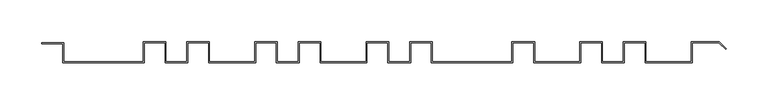
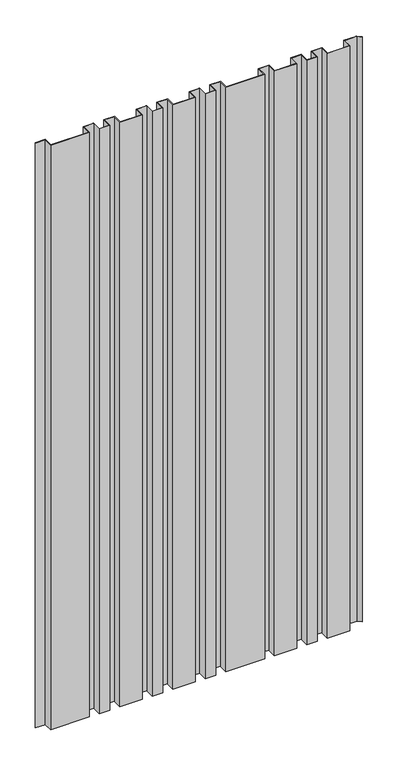
"""IFC4 building model written with IfcOpenShell, lengths in millimetres: plate geometry."""

from ifc_helpers import new_model, si_unit, origin, origin_with_axes, place, context, project, spatial, polyline, outline, extrude, source, transform, mapped, element, save


def plate_2229ff54(model_context):
    return source(origin(), model_context, "Body", "SweptSolid", [
        extrude(outline(polyline([(-363.0, 23.0), (-388.0, 23.0), (-388.0, 24.0), (-362.0, 24.0), (-362.0, 1.0), (-267.0, 1.0), (-267.0, 25.0), (-240.0, 25.0), (-240.0, 1.0), (-215.0, 1.0), (-215.0, 25.0), (-188.0, 25.0), (-188.0, 1.0), (-134.0, 1.0), (-134.0, 25.0), (-107.0, 25.0), (-107.0, 1.0), (-82.0, 1.0), (-82.0, 25.0), (-55.0, 25.0), (-55.0, 1.0), (-1.0, 1.0), (-1.0, 25.0), (26.0, 25.0), (26.0, 1.0), (51.0, 1.0), (51.0, 25.0), (78.0, 25.0), (78.0, 1.0), (173.0, 1.0), (173.0, 25.0), (200.0, 25.0), (200.0, 1.0), (254.0, 1.0), (254.0, 25.0), (281.0, 25.0), (281.0, 1.0), (306.0, 1.0), (306.0, 25.0), (333.0, 25.0), (333.0, 1.0), (387.0, 1.0), (387.0, 25.0), (420.4147995, 25.0), (428.7078135, 16.6903838), (428.0, 15.9839845), (420.0, 24.0), (388.0, 24.0), (388.0, 0.0), (332.0, 0.0), (332.0, 24.0), (307.0, 24.0), (307.0, 0.0), (280.0, 0.0), (280.0, 24.0), (255.0, 24.0), (255.0, 0.0), (199.0, 0.0), (199.0, 24.0), (174.0, 24.0), (174.0, 0.0), (77.0, 0.0), (77.0, 24.0), (52.0, 24.0), (52.0, 0.0), (25.0, 0.0), (25.0, 24.0), (0.0, 24.0), (0.0, 0.0), (-56.0, 0.0), (-56.0, 24.0), (-81.0, 24.0), (-81.0, 0.0), (-108.0, 0.0), (-108.0, 24.0), (-133.0, 24.0), (-133.0, 0.0), (-189.0, 0.0), (-189.0, 24.0), (-214.0, 24.0), (-214.0, 0.0), (-241.0, 0.0), (-241.0, 24.0), (-266.0, 24.0), (-266.0, 0.0), (-363.0, 0.0), (-363.0, 23.0)])), origin_with_axes(), (0.0, 0.0, 1.0), 1552.0),
    ])


if __name__ == "__main__":
    model = new_model("IFC4")
    model_context = context("Model", 3, world=origin())
    ifc_project = project(units=[si_unit("LENGTHUNIT", "METRE", prefix="MILLI")], contexts=[model_context])
    site = spatial("IfcSite", under=ifc_project)
    building = spatial("IfcBuilding", under=site)
    placement = place(None, origin())
    plate_shape = plate_2229ff54(model_context)
    element("IfcPlate", 1, at=placement, inside=building, context=model_context, shape_type="MappedRepresentation", body=[
        mapped(plate_shape, transform((0.0, 0.0, 0.0), x_axis=(1.0, 0.0, 0.0), y_axis=(0.0, 1.0, 0.0), z_axis=(0.0, 0.0, 1.0))),
    ])
    save(model, "model.ifc")
